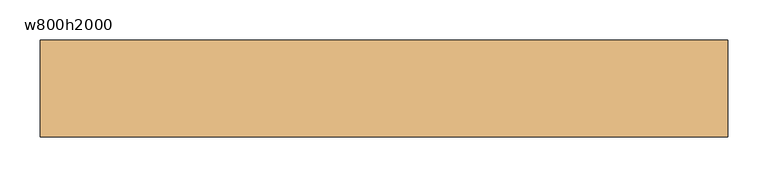
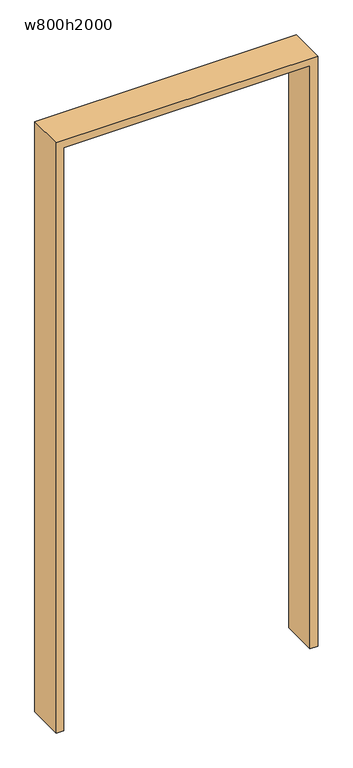
"""IFC4 building model written with IfcOpenShell, lengths in millimetres: door geometry, w800h2000."""

from ifc_helpers import new_model, si_unit, frame, origin, place, context, project, spatial, polyline, outline, extrude, source, transform, mapped, element, save


def w800h2000_d76b1b72(model_context):
    return source(origin(), model_context, "Body", "SweptSolid", [
        extrude(outline(polyline([(0.0, -425.0), (0.0, -400.0), (2000.0, -400.0), (2000.0, 400.0), (0.0, 400.0), (0.0, 425.0), (2025.0, 425.0), (2025.0, -425.0), (0.0, -425.0)])), frame((0.0, -60.0, 0.0), z_axis=(0.0, 1.0, 0.0), x_axis=(0.0, 0.0, 1.0)), (0.0, 0.0, 1.0), 120.0),
    ])


if __name__ == "__main__":
    model = new_model("IFC4")
    model_context = context("Model", 3, world=origin())
    ifc_project = project(units=[si_unit("LENGTHUNIT", "METRE", prefix="MILLI")], contexts=[model_context])
    site = spatial("IfcSite", under=ifc_project)
    building = spatial("IfcBuilding", under=site)
    placement = place(None, origin())
    w800h2000_shape = w800h2000_d76b1b72(model_context)
    element("IfcDoor", 1, ObjectType="w800h2000", at=placement, inside=building, context=model_context, shape_type="MappedRepresentation", body=[
        mapped(w800h2000_shape, transform((0.0, 0.0, 0.0), x_axis=(1.0, 0.0, 0.0), y_axis=(0.0, 1.0, 0.0), z_axis=(0.0, 0.0, 1.0))),
    ])
    save(model, "model.ifc")
